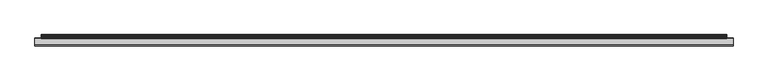
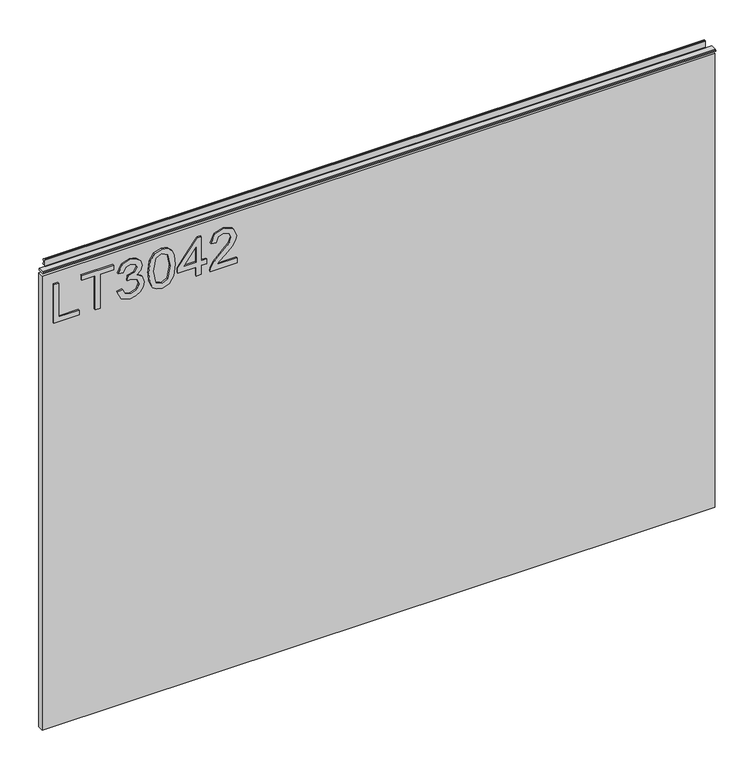
"""IFC4 building model written with IfcOpenShell, lengths in millimetres: furniture geometry."""

from ifc_helpers import new_model, si_unit, frame, origin, place, context, project, spatial, polyline, outline, extrude, source, transform, mapped, element, save


def furniture_122bf3ee(model_context):
    return source(origin(), model_context, "Body", "SweptSolid", [
        extrude(outline(polyline([(773.6078, -281.6939953), (773.6078, -241.8253972), (781.5815196, -241.8253972), (781.5815196, -273.7202757), (837.3975569, -273.7202757), (837.3975569, -281.6939953), (773.6078, -281.6939953)])), frame((0.0, -5.4626842, 0.0), z_axis=(0.0, 1.0, 0.0), x_axis=(0.0, 0.0, 1.0)), (0.0, 0.0, 1.0), 2.38125),
        extrude(outline(polyline([(773.6078, -216.9075234), (773.6078, -208.9338038), (829.4238373, -208.9338038), (829.4238373, -188.0027898), (837.3975569, -188.0027898), (837.3975569, -237.8385374), (829.4238373, -237.8385374), (829.4238373, -216.9075234), (773.6078, -216.9075234)])), frame((0.0, -5.4626842, 0.0), z_axis=(0.0, 1.0, 0.0), x_axis=(0.0, 0.0, 1.0)), (0.0, 0.0, 1.0), 2.38125),
        extrude(outline(polyline([(790.5519542, -182.0225001), (777.6102335, -175.684016), (772.611085, -161.6988593), (774.0750101, -153.1761678), (778.4667854, -146.2653512), (784.9610063, -141.6866919), (792.7322681, -140.1604721), (803.1043331, -143.2129117), (808.555118, -151.9030201), (813.8345925, -145.3620783), (821.1853653, -143.150617), (829.2291664, -145.4788808), (835.2094562, -152.2067067), (837.3975569, -161.8234487), (832.9590607, -174.500417), (820.4534028, -181.0257852), (819.4566878, -173.0520655), (826.9320499, -169.1430741), (829.4238373, -161.5431226), (826.9554105, -154.0366131), (820.7181552, -151.1243366), (813.6788558, -155.1423437), (811.4829682, -165.4676877), (803.5092486, -166.355387), (804.3813742, -160.764439), (801.11869, -151.7005624), (792.8724312, -148.1341917), (784.120028, -151.7317098), (780.5848047, -161.4185332), (783.1544604, -169.6492184), (791.5486691, -174.0487805), (790.5519542, -182.0225001)])), frame((0.0, -5.4626842, 0.0), z_axis=(0.0, 1.0, 0.0), x_axis=(0.0, 0.0, 1.0)), (0.0, 0.0, 1.0), 2.38125),
        extrude(outline(polyline([(804.9887473, -133.1834674), (789.4734775, -131.594953), (778.6848168, -126.8294096), (774.129518, -120.5376465), (772.611085, -112.2524534), (776.1073742, -100.5799869), (786.7130443, -93.6419164), (804.9887473, -91.3214395), (819.9784058, -92.7697909), (829.4160505, -96.5074719), (835.3418324, -102.9393981), (837.3975569, -112.2524534), (833.9246283, -123.8781989), (823.3423188, -130.8396299), (804.9887473, -133.1834674)]), holes=[polyline([(805.004321, -125.2097478), (825.1566514, -121.3474774), (829.4238373, -112.3458955), (824.5804256, -102.9082508), (805.004321, -99.2951591), (785.2179718, -103.0328401), (780.5848047, -112.2524534), (785.2023982, -121.4720668), (805.004321, -125.2097478)])]), frame((0.0, -5.4626842, 0.0), z_axis=(0.0, 1.0, 0.0), x_axis=(0.0, 0.0, 1.0)), (0.0, 0.0, 1.0), 2.38125),
        extrude(outline(polyline([(773.6078, -58.429846), (773.6078, -50.4561264), (788.5585243, -50.4561264), (788.5585243, -42.4824068), (796.5322439, -42.4824068), (796.5322439, -50.4561264), (836.400842, -50.4561264), (836.400842, -56.4364161), (796.5322439, -87.3345796), (788.5585243, -87.3345796), (788.5585243, -58.429846), (773.6078, -58.429846)]), holes=[polyline([(796.5322439, -58.429846), (796.5322439, -77.5231668), (821.1697916, -58.429846), (796.5322439, -58.429846)])]), frame((0.0, -5.4626842, 0.0), z_axis=(0.0, 1.0, 0.0), x_axis=(0.0, 0.0, 1.0)), (0.0, 0.0, 1.0), 2.38125),
        extrude(outline(polyline([(781.5815196, 5.3599109), (781.5815196, -25.9587417), (785.6384609, -22.3612237), (793.308494, -13.1883314), (804.2334243, -1.7650436), (812.0514072, 2.9459919), (819.6124245, 4.363196), (832.2893928, -0.892918), (837.3975569, -15.1661876), (832.803324, -29.3927362), (819.4566878, -35.5054021), (818.4599729, -27.5316825), (826.5115608, -24.1755564), (829.4238373, -15.337498), (826.4414793, -6.8576341), (819.1296407, -3.6105237), (810.0969115, -7.052305), (796.81257, -20.8194302), (787.5695962, -30.8021534), (779.1053059, -35.6455652), (773.6078, -36.5021171), (773.6078, 5.3599109), (781.5815196, 5.3599109)])), frame((0.0, -5.4626842, 0.0), z_axis=(0.0, 1.0, 0.0), x_axis=(0.0, 0.0, 1.0)), (0.0, 0.0, 1.0), 2.38125),
        extrude(outline(polyline([(5.5562561, 863.6), (6.3500061, 863.6), (6.3500061, 873.47425), (7.1437561, 874.268), (8.6677569, 874.268), (10.0084363, 873.8506926), (10.875413, 872.7461816), (10.9623604, 871.3447591), (10.2390011, 868.3863459), (10.4046103, 867.1833307), (11.6746103, 864.9836103), (10.7786383, 864.4663244), (7.1437561, 864.4663244), (7.1437561, 863.6), (6.3500061, 863.3669239), (6.3500061, 856.1578), (5.5562561, 856.1578), (5.5562561, 863.6)])), frame((-288.671, 0.0, 0.0), z_axis=(1.0, 0.0, 0.0), x_axis=(0.0, 1.0, 0.0)), (0.0, 0.0, 1.0), 1034.542),
        extrude(outline(polyline([(5.5562561, 863.6), (5.5562561, 860.4249996), (-3.975094, 860.4249996), (-5.3492339, 861.2183657), (-5.3492339, 862.8066395), (-3.9751037, 863.6), (5.5562561, 863.6)])), frame((-298.196, 0.0, 0.0), z_axis=(1.0, 0.0, 0.0), x_axis=(0.0, 1.0, 0.0)), (0.0, 0.0, 1.0), 1053.592),
        extrude(outline(polyline([(755.396, 6.3500061), (755.396, -3.1749939), (-298.196, -3.1749939), (-298.196, 6.3500061), (755.396, 6.3500061)])), frame((0.0, 0.0, 104.69626), z_axis=(0.0, 0.0, 1.0), x_axis=(1.0, 0.0, 0.0)), (0.0, 0.0, 1.0), 751.46154),
    ])


if __name__ == "__main__":
    model = new_model("IFC4")
    model_context = context("Model", 3, world=origin())
    ifc_project = project(units=[si_unit("LENGTHUNIT", "METRE", prefix="MILLI")], contexts=[model_context])
    site = spatial("IfcSite", under=ifc_project)
    building = spatial("IfcBuilding", under=site)
    placement = place(None, origin())
    furniture_shape = furniture_122bf3ee(model_context)
    element("IfcFurniture", 1, at=placement, inside=building, context=model_context, shape_type="MappedRepresentation", body=[
        mapped(furniture_shape, transform((0.0, 0.0, 0.0), x_axis=(1.0, 0.0, 0.0), y_axis=(0.0, 1.0, 0.0), z_axis=(0.0, 0.0, 1.0))),
    ])
    save(model, "model.ifc")
